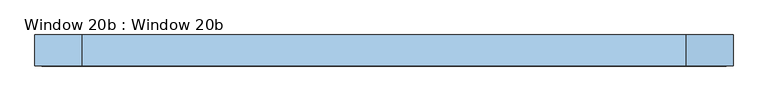
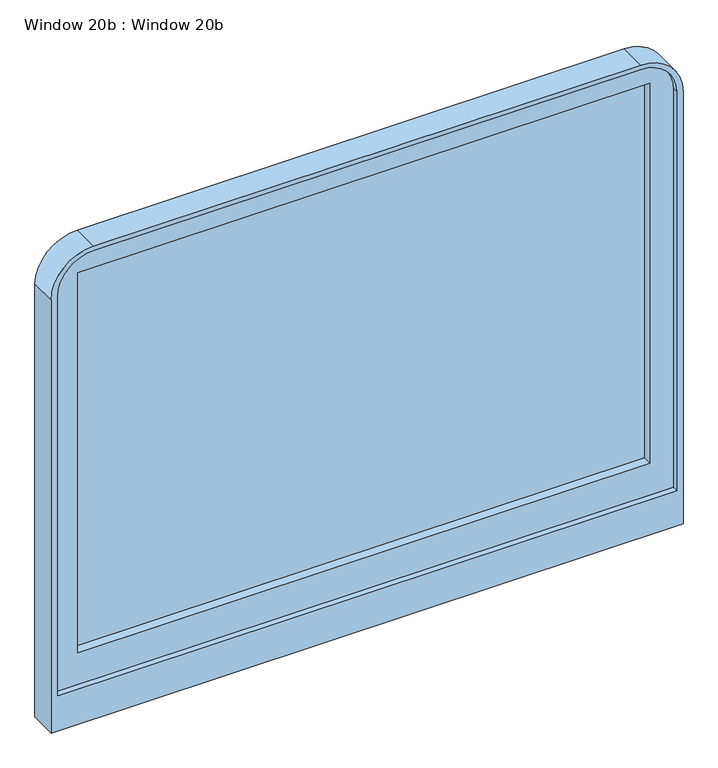
"""IFC4 building model written with IfcOpenShell, lengths in millimetres: window geometry, Window 20b : Window 20b."""

from ifc_helpers import new_model, si_unit, point, frame, frame_2d, origin, place, context, project, spatial, polyline, circle_curve, trimmed, segment, composite_curve, outline, extrude, source, transform, mapped, element, save


def window_20b_window_20b_91928b4b(model_context):
    return source(origin(), model_context, "Body", "SweptSolid", [
        extrude(outline(polyline([(969.3587862, 12.7), (-969.3587862, 12.7), (-969.3587862, 31.75), (969.3587862, 31.75), (969.3587862, 12.7)])), frame((0.0, 0.0, 1155.6235698), z_axis=(0.0, 0.0, 1.0), x_axis=(1.0, 0.0, 0.0)), (0.0, 0.0, 1.0), 1361.6727544),
        extrude(outline(composite_curve([segment(polyline([(1041.3235698, -1049.02), (1041.3235698, 1049.02), (2469.8392161, 1049.02)]), True, "CONTINUOUS"), segment(trimmed(circle_curve(frame_2d((2469.8392161, 927.1)), 121.92), [point((2469.8392161, 1049.02))], [point((2591.7592161, 927.1))], False, "CARTESIAN"), True, "CONTINUOUS"), segment(polyline([(2591.7592161, 927.1), (2591.7592161, -927.1)]), True, "CONTINUOUS"), segment(trimmed(circle_curve(frame_2d((2469.8392161, -927.1)), 121.92), [point((2591.7592161, -927.1))], [point((2469.8392161, -1049.02))], False, "CARTESIAN"), True, "CONTINUOUS"), segment(polyline([(2469.8392161, -1049.02), (1041.3235698, -1049.02)]), True, "CONTINUOUS")], self_intersect=False), holes=[polyline([(1155.6235698, 969.3587862), (1155.6235698, -969.3587862), (2517.2963242, -969.3587862), (2517.2963242, 969.3587862), (1155.6235698, 969.3587862)])]), frame((0.0, -19.05, 0.0), z_axis=(0.0, 1.0, 0.0), x_axis=(0.0, 0.0, 1.0)), (0.0, 0.0, 1.0), 50.8),
        extrude(outline(composite_curve([segment(trimmed(circle_curve(frame_2d((2464.7592161, -927.1)), 143.51), [point((2608.2692161, -927.1))], [point((2464.7592161, -1070.61))], False, "CARTESIAN"), True, "CONTINUOUS"), segment(polyline([(2464.7592161, -1070.61), (914.4, -1070.61), (914.4, 1070.61), (2464.7592161, 1070.61)]), True, "CONTINUOUS"), segment(trimmed(circle_curve(frame_2d((2464.7592161, 927.1)), 143.51), [point((2464.7592161, 1070.61))], [point((2608.2692161, 927.1))], False, "CARTESIAN"), True, "CONTINUOUS"), segment(polyline([(2608.2692161, 927.1), (2608.2692161, -927.1)]), True, "CONTINUOUS")], self_intersect=False), holes=[composite_curve([segment(polyline([(1041.3235698, -1049.02), (2469.8392161, -1049.02)]), True, "CONTINUOUS"), segment(trimmed(circle_curve(frame_2d((2469.8392161, -927.1)), 121.92), [point((2469.8392161, -1049.02))], [point((2591.7592161, -927.1))], True, "CARTESIAN"), True, "CONTINUOUS"), segment(polyline([(2591.7592161, -927.1), (2591.7592161, 927.1)]), True, "CONTINUOUS"), segment(trimmed(circle_curve(frame_2d((2469.8392161, 927.1)), 121.92), [point((2591.7592161, 927.1))], [point((2469.8392161, 1049.02))], True, "CARTESIAN"), True, "CONTINUOUS"), segment(polyline([(2469.8392161, 1049.02), (1041.3235698, 1049.02), (1041.3235698, -1049.02)]), True, "CONTINUOUS")], self_intersect=False)]), frame((0.0, -38.1, 0.0), z_axis=(0.0, 1.0, 0.0), x_axis=(0.0, 0.0, 1.0)), (0.0, 0.0, 1.0), 95.25),
    ])


if __name__ == "__main__":
    model = new_model("IFC4")
    model_context = context("Model", 3, world=origin())
    ifc_project = project(units=[si_unit("LENGTHUNIT", "METRE", prefix="MILLI")], contexts=[model_context])
    site = spatial("IfcSite", under=ifc_project)
    building = spatial("IfcBuilding", under=site)
    placement = place(None, origin())
    window_20b_window_20b_shape = window_20b_window_20b_91928b4b(model_context)
    element("IfcWindow", 1, ObjectType="Window 20b : Window 20b", at=placement, inside=building, context=model_context, shape_type="MappedRepresentation", body=[
        mapped(window_20b_window_20b_shape, transform((0.0, 0.0, 0.0), x_axis=(1.0, 0.0, 0.0), y_axis=(0.0, 1.0, 0.0), z_axis=(0.0, 0.0, 1.0))),
    ])
    save(model, "model.ifc")
